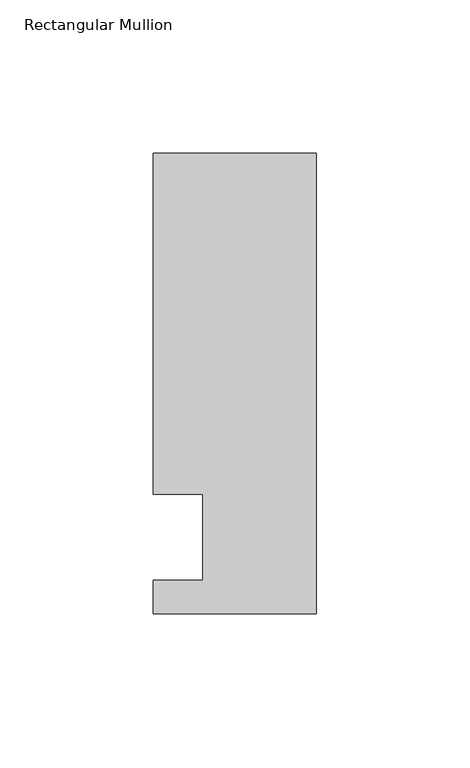
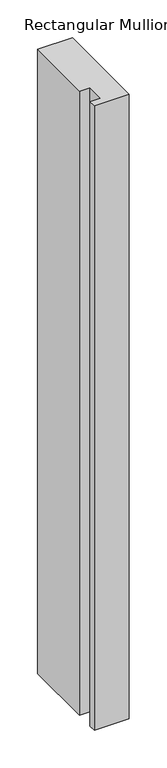
"""IFC4 building model written with IfcOpenShell, lengths in millimetres: member geometry, Rectangular Mullion."""

from ifc_helpers import new_model, si_unit, frame, origin, place, context, project, spatial, polyline, outline, extrude, source, transform, mapped, element, save


def rectangular_mullion_05b7c0e5(model_context):
    return source(origin(), model_context, "Body", "SweptSolid", [
        extrude(outline(polyline([(-37.0, 14.0), (-53.0, 14.0), (-53.0, 125.0), (0.0, 125.0), (0.0, -25.0), (-53.0, -25.0), (-53.0, -14.0), (-37.0, -14.0), (-37.0, 14.0)])), frame((0.0, 0.0, -1006.6623342), z_axis=(0.0, 0.0, 1.0), x_axis=(1.0, 0.0, 0.0)), (0.0, 0.0, 1.0), 1006.6623342),
    ])


if __name__ == "__main__":
    model = new_model("IFC4")
    model_context = context("Model", 3, world=origin())
    ifc_project = project(units=[si_unit("LENGTHUNIT", "METRE", prefix="MILLI")], contexts=[model_context])
    site = spatial("IfcSite", under=ifc_project)
    building = spatial("IfcBuilding", under=site)
    placement = place(None, origin())
    rectangular_mullion_shape = rectangular_mullion_05b7c0e5(model_context)
    element("IfcMember", 1, ObjectType="Rectangular Mullion", at=placement, inside=building, context=model_context, shape_type="MappedRepresentation", body=[
        mapped(rectangular_mullion_shape, transform((0.0, 0.0, 0.0), x_axis=(1.0, 0.0, 0.0), y_axis=(0.0, 1.0, 0.0), z_axis=(0.0, 0.0, 1.0))),
    ])
    save(model, "model.ifc")
